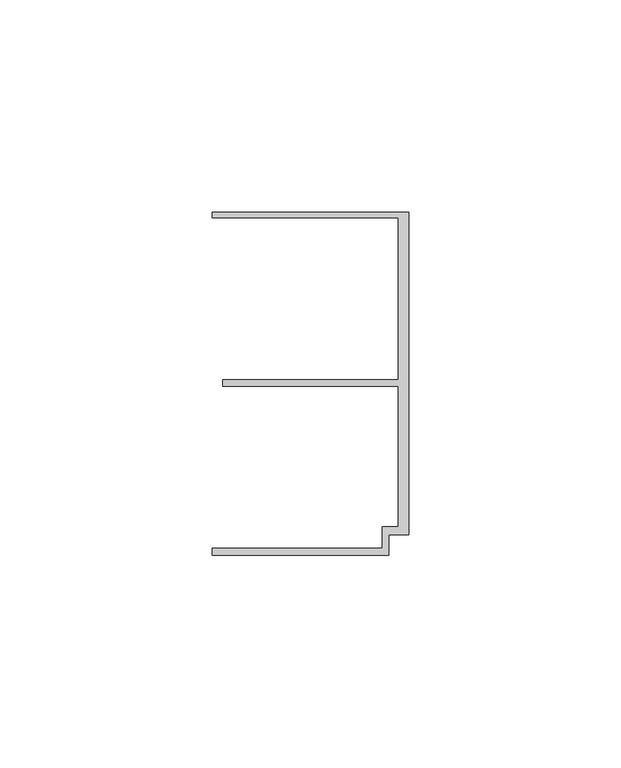
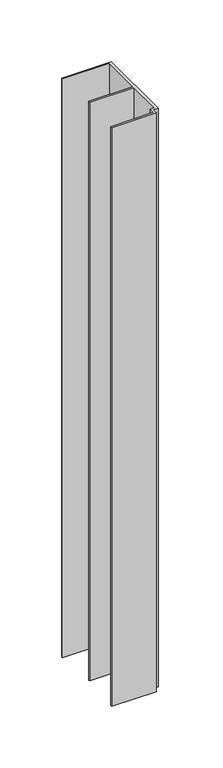
"""IFC4 building model written with IfcOpenShell, lengths in millimetres: member geometry."""

from ifc_helpers import new_model, si_unit, frame, origin, place, context, project, spatial, polyline, outline, extrude, source, transform, mapped, element, save


def member_854eba04(model_context):
    return source(origin(), model_context, "Body", "SweptSolid", [
        extrude(outline(polyline([(-6.2, -33.95), (-2.4, -33.95), (-2.4, -0.75), (-43.8, -0.75), (-43.8, 0.75), (-2.4, 0.75), (-2.4, 38.95), (-46.3, 38.95), (-46.3, 40.25), (0.0, 40.25), (0.0, -35.75), (-4.6999992, -35.75), (-4.6999992, -40.65), (-46.3, -40.65), (-46.3, -38.95), (-6.2, -38.95), (-6.2, -33.95)])), frame((0.0, 0.0, -572.6602632), z_axis=(0.0, 0.0, 1.0), x_axis=(1.0, 0.0, 0.0)), (0.0, 0.0, 1.0), 572.6602632),
    ])


if __name__ == "__main__":
    model = new_model("IFC4")
    model_context = context("Model", 3, world=origin())
    ifc_project = project(units=[si_unit("LENGTHUNIT", "METRE", prefix="MILLI")], contexts=[model_context])
    site = spatial("IfcSite", under=ifc_project)
    building = spatial("IfcBuilding", under=site)
    placement = place(None, origin())
    member_shape = member_854eba04(model_context)
    element("IfcMember", 1, at=placement, inside=building, context=model_context, shape_type="MappedRepresentation", body=[
        mapped(member_shape, transform((0.0, 0.0, 0.0), x_axis=(1.0, 0.0, 0.0), y_axis=(0.0, 1.0, 0.0), z_axis=(0.0, 0.0, 1.0))),
    ])
    save(model, "model.ifc")
